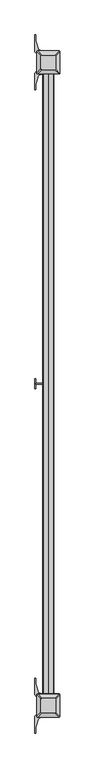
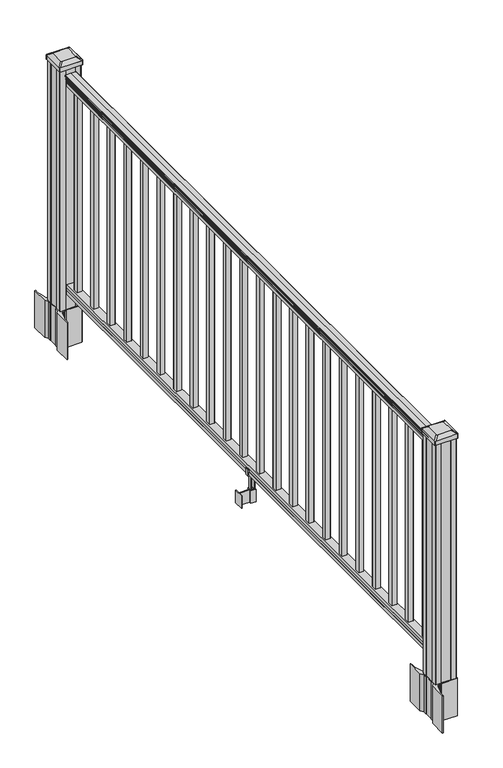
"""IFC4 building model written with IfcOpenShell, lengths in millimetres: railing geometry."""

from ifc_helpers import new_model, si_unit, point, frame, frame_2d, origin, origin_with_axes, place, context, project, spatial, polyline, circle_curve, trimmed, segment, composite_curve, outline, extrude, source, transform, mapped, element, save
from ifc_brep_helpers import plane_surface, extruded_surface, advanced_brep


def railing_49b67a87(model_context):
    return source(origin(), model_context, "Body", "SolidModel", [
        extrude(outline(composite_curve([segment(polyline([(938.4043297, 1026.4116941), (940.292412, 1026.4116941)]), True, "CONTINUOUS"), segment(trimmed(circle_curve(frame_2d((946.0506383, 1020.0969408)), 8.545951), [point((940.292412, 1026.4116941))], [point((941.8546695, 1027.5418804))], False, "CARTESIAN"), True, "CONTINUOUS"), segment(trimmed(circle_curve(frame_2d((945.4636577, 1020.5340038)), 7.882584), [point((941.8546695, 1027.5418804))], [point((949.0726458, 1027.5418804))], False, "CARTESIAN"), True, "CONTINUOUS"), segment(trimmed(circle_curve(frame_2d((951.3112527, 1031.0473279)), 4.1592695), [point((949.0726458, 1027.5418804))], [point((951.5060812, 1026.892624))], True, "CARTESIAN"), True, "CONTINUOUS"), segment(trimmed(circle_curve(frame_2d((951.2508864, 1032.3346345)), 5.4479907), [point((951.5060812, 1026.892624))], [point((955.8362083, 1029.392624))], True, "CARTESIAN"), True, "CONTINUOUS"), segment(trimmed(circle_curve(frame_2d((955.833395, 1031.101476)), 1.7088543), [point((955.8362083, 1029.392624))], [point((957.5157972, 1030.8019664))], True, "CARTESIAN"), True, "CONTINUOUS"), segment(trimmed(circle_curve(frame_2d((958.6205318, 1029.4845759)), 1.7192895), [point((957.5157972, 1030.8019664))], [point((958.6205318, 1031.2038654))], False, "CARTESIAN"), True, "CONTINUOUS"), segment(polyline([(958.6205318, 1031.2038654), (959.9608158, 1031.2038654)]), True, "CONTINUOUS"), segment(trimmed(circle_curve(frame_2d((959.9608158, 1029.6504181)), 1.5534472), [point((959.9608158, 1031.2038654))], [point((961.514263, 1029.6504181))], False, "CARTESIAN"), True, "CONTINUOUS"), segment(polyline([(961.514263, 1029.6504181), (961.514263, 1008.9788654), (961.514263, 988.3073126)]), True, "CONTINUOUS"), segment(trimmed(circle_curve(frame_2d((959.9608158, 988.3073126)), 1.5534472), [point((961.514263, 988.3073126))], [point((959.9608158, 986.7538654))], False, "CARTESIAN"), True, "CONTINUOUS"), segment(polyline([(959.9608158, 986.7538654), (958.6205318, 986.7538654)]), True, "CONTINUOUS"), segment(trimmed(circle_curve(frame_2d((958.6205318, 988.4731548)), 1.7192895), [point((958.6205318, 986.7538654))], [point((957.5157972, 987.1557643))], False, "CARTESIAN"), True, "CONTINUOUS"), segment(trimmed(circle_curve(frame_2d((955.833395, 986.8562547)), 1.7088543), [point((957.5157972, 987.1557643))], [point((955.8362083, 988.5651067))], True, "CARTESIAN"), True, "CONTINUOUS"), segment(trimmed(circle_curve(frame_2d((951.2508864, 985.6230963)), 5.4479907), [point((955.8362083, 988.5651067))], [point((951.5060812, 991.0651067))], True, "CARTESIAN"), True, "CONTINUOUS"), segment(trimmed(circle_curve(frame_2d((951.3112527, 986.9104028)), 4.1592695), [point((951.5060812, 991.0651067))], [point((949.0726458, 990.4158503))], True, "CARTESIAN"), True, "CONTINUOUS"), segment(trimmed(circle_curve(frame_2d((945.4636577, 997.4237269)), 7.882584), [point((949.0726458, 990.4158503))], [point((941.8546695, 990.4158503))], False, "CARTESIAN"), True, "CONTINUOUS"), segment(trimmed(circle_curve(frame_2d((946.0506383, 997.8607899)), 8.545951), [point((941.8546695, 990.4158503))], [point((940.292412, 991.5460366))], False, "CARTESIAN"), True, "CONTINUOUS"), segment(polyline([(940.292412, 991.5460366), (938.4043297, 991.5460366)]), True, "CONTINUOUS"), segment(trimmed(circle_curve(frame_2d((938.4043297, 992.832951)), 1.2869144), [point((938.4043297, 991.5460366))], [point((938.4043297, 994.1198654))], False, "CARTESIAN"), True, "CONTINUOUS"), segment(polyline([(938.4043297, 994.1198654), (927.9048283, 994.1198654), (926.8888283, 993.1038654), (914.4, 993.1038654), (914.4, 1024.8538654), (926.731013, 1024.8538654), (927.747013, 1023.8378654), (938.4043297, 1023.8378654)]), True, "CONTINUOUS"), segment(trimmed(circle_curve(frame_2d((938.4043297, 1025.1247797)), 1.2869144), [point((938.4043297, 1023.8378654))], [point((938.4043297, 1026.4116941))], False, "CARTESIAN"), True, "CONTINUOUS")], self_intersect=False)), frame((0.0, -6771.6427062, 0.0), z_axis=(0.0, 1.0, 0.0), x_axis=(0.0, 0.0, 1.0)), (0.0, 0.0, 1.0), 2438.4),
        extrude(outline(polyline([(76.0541976, 1024.8913523), (77.3546183, 1023.8753523), (87.7141717, 1023.8753523), (89.0624492, 1024.8913523), (101.5958781, 1024.8913523), (101.5958781, 993.1413523), (89.0458024, 993.1413523), (87.6975248, 994.1573523), (77.3858283, 994.1573523), (76.0375508, 993.1413523), (63.5, 993.1413523), (63.5, 1024.8913523), (76.0541976, 1024.8913523)])), frame((0.0, -6771.6427062, 0.0), z_axis=(0.0, 1.0, 0.0), x_axis=(0.0, 0.0, 1.0)), (0.0, 0.0, 1.0), 2438.4),
        extrude(outline(polyline([(1018.5038654, -4392.5517062), (999.4538654, -4392.5517062), (999.4538654, -4373.5017062), (1018.5038654, -4373.5017062), (1018.5038654, -4392.5517062)]), holes=[polyline([(1018.1069904, -4392.1548312), (1018.1069904, -4373.8985812), (999.8507404, -4373.8985812), (999.8507404, -4392.1548312), (1018.1069904, -4392.1548312)])]), frame((0.0, 0.0, 101.5958781), z_axis=(0.0, 0.0, 1.0), x_axis=(1.0, 0.0, 0.0)), (0.0, 0.0, 1.0), 812.8041219),
        extrude(outline(polyline([(1018.5038654, -4503.8037062), (999.4538654, -4503.8037062), (999.4538654, -4484.7537062), (1018.5038654, -4484.7537062), (1018.5038654, -4503.8037062)]), holes=[polyline([(1018.1069904, -4503.4068312), (1018.1069904, -4485.1505812), (999.8507404, -4485.1505812), (999.8507404, -4503.4068312), (1018.1069904, -4503.4068312)])]), frame((0.0, 0.0, 101.5958781), z_axis=(0.0, 0.0, 1.0), x_axis=(1.0, 0.0, 0.0)), (0.0, 0.0, 1.0), 812.8041219),
        extrude(outline(polyline([(1018.5038654, -4615.0557062), (999.4538654, -4615.0557062), (999.4538654, -4596.0057062), (1018.5038654, -4596.0057062), (1018.5038654, -4615.0557062)]), holes=[polyline([(1018.1069904, -4614.6588312), (1018.1069904, -4596.4025812), (999.8507404, -4596.4025812), (999.8507404, -4614.6588312), (1018.1069904, -4614.6588312)])]), frame((0.0, 0.0, 101.5958781), z_axis=(0.0, 0.0, 1.0), x_axis=(1.0, 0.0, 0.0)), (0.0, 0.0, 1.0), 812.8041219),
        extrude(outline(polyline([(1018.5038654, -4726.3077062), (999.4538654, -4726.3077062), (999.4538654, -4707.2577062), (1018.5038654, -4707.2577062), (1018.5038654, -4726.3077062)]), holes=[polyline([(1018.1069904, -4725.9108312), (1018.1069904, -4707.6545812), (999.8507404, -4707.6545812), (999.8507404, -4725.9108312), (1018.1069904, -4725.9108312)])]), frame((0.0, 0.0, 101.5958781), z_axis=(0.0, 0.0, 1.0), x_axis=(1.0, 0.0, 0.0)), (0.0, 0.0, 1.0), 812.8041219),
        extrude(outline(polyline([(1018.5038654, -4837.5597062), (999.4538654, -4837.5597062), (999.4538654, -4818.5097062), (1018.5038654, -4818.5097062), (1018.5038654, -4837.5597062)]), holes=[polyline([(1018.1069904, -4837.1628312), (1018.1069904, -4818.9065812), (999.8507404, -4818.9065812), (999.8507404, -4837.1628312), (1018.1069904, -4837.1628312)])]), frame((0.0, 0.0, 101.5958781), z_axis=(0.0, 0.0, 1.0), x_axis=(1.0, 0.0, 0.0)), (0.0, 0.0, 1.0), 812.8041219),
        extrude(outline(polyline([(1018.5038654, -4948.8117062), (999.4538654, -4948.8117062), (999.4538654, -4929.7617062), (1018.5038654, -4929.7617062), (1018.5038654, -4948.8117062)]), holes=[polyline([(1018.1069904, -4948.4148312), (1018.1069904, -4930.1585812), (999.8507404, -4930.1585812), (999.8507404, -4948.4148312), (1018.1069904, -4948.4148312)])]), frame((0.0, 0.0, 101.5958781), z_axis=(0.0, 0.0, 1.0), x_axis=(1.0, 0.0, 0.0)), (0.0, 0.0, 1.0), 812.8041219),
        extrude(outline(polyline([(1018.5038654, -5060.0637062), (999.4538654, -5060.0637062), (999.4538654, -5041.0137062), (1018.5038654, -5041.0137062), (1018.5038654, -5060.0637062)]), holes=[polyline([(1018.1069904, -5059.6668312), (1018.1069904, -5041.4105812), (999.8507404, -5041.4105812), (999.8507404, -5059.6668312), (1018.1069904, -5059.6668312)])]), frame((0.0, 0.0, 101.5958781), z_axis=(0.0, 0.0, 1.0), x_axis=(1.0, 0.0, 0.0)), (0.0, 0.0, 1.0), 812.8041219),
        extrude(outline(polyline([(1018.5038654, -5171.3157062), (999.4538654, -5171.3157062), (999.4538654, -5152.2657062), (1018.5038654, -5152.2657062), (1018.5038654, -5171.3157062)]), holes=[polyline([(1018.1069904, -5170.9188312), (1018.1069904, -5152.6625812), (999.8507404, -5152.6625812), (999.8507404, -5170.9188312), (1018.1069904, -5170.9188312)])]), frame((0.0, 0.0, 101.5958781), z_axis=(0.0, 0.0, 1.0), x_axis=(1.0, 0.0, 0.0)), (0.0, 0.0, 1.0), 812.8041219),
        extrude(outline(polyline([(1018.5038654, -5282.5677062), (999.4538654, -5282.5677062), (999.4538654, -5263.5177062), (1018.5038654, -5263.5177062), (1018.5038654, -5282.5677062)]), holes=[polyline([(1018.1069904, -5282.1708312), (1018.1069904, -5263.9145812), (999.8507404, -5263.9145812), (999.8507404, -5282.1708312), (1018.1069904, -5282.1708312)])]), frame((0.0, 0.0, 101.5958781), z_axis=(0.0, 0.0, 1.0), x_axis=(1.0, 0.0, 0.0)), (0.0, 0.0, 1.0), 812.8041219),
        extrude(outline(polyline([(1018.5038654, -5393.8197062), (999.4538654, -5393.8197062), (999.4538654, -5374.7697062), (1018.5038654, -5374.7697062), (1018.5038654, -5393.8197062)]), holes=[polyline([(1018.1069904, -5393.4228312), (1018.1069904, -5375.1665812), (999.8507404, -5375.1665812), (999.8507404, -5393.4228312), (1018.1069904, -5393.4228312)])]), frame((0.0, 0.0, 101.5958781), z_axis=(0.0, 0.0, 1.0), x_axis=(1.0, 0.0, 0.0)), (0.0, 0.0, 1.0), 812.8041219),
        extrude(outline(polyline([(1018.5038654, -5505.0717062), (999.4538654, -5505.0717062), (999.4538654, -5486.0217062), (1018.5038654, -5486.0217062), (1018.5038654, -5505.0717062)]), holes=[polyline([(1018.1069904, -5504.6748312), (1018.1069904, -5486.4185812), (999.8507404, -5486.4185812), (999.8507404, -5504.6748312), (1018.1069904, -5504.6748312)])]), frame((0.0, 0.0, 101.5958781), z_axis=(0.0, 0.0, 1.0), x_axis=(1.0, 0.0, 0.0)), (0.0, 0.0, 1.0), 812.8041219),
        extrude(outline(polyline([(998.3108656, -5552.4427062), (958.9408654, -5552.4427062), (958.9408654, -5549.9027062), (998.3108656, -5549.9027062), (998.3108656, -5552.4427062)])), frame((0.0, 0.0, -50.8), z_axis=(0.0, 0.0, 1.0), x_axis=(1.0, 0.0, 0.0)), (0.0, 0.0, 1.0), 50.8),
        extrude(outline(polyline([(958.9408654, -5570.2227062), (956.4008654, -5570.2227062), (956.4008654, -5532.1227062), (958.9408654, -5532.1227062), (958.9408654, -5570.2227062)])), frame((0.0, 0.0, -50.8), z_axis=(0.0, 0.0, 1.0), x_axis=(1.0, 0.0, 0.0)), (0.0, 0.0, 1.0), 50.8),
        extrude(outline(polyline([(1019.6468661, -5561.0787062), (998.3108656, -5561.0787062), (998.3108656, -5541.2667062), (1019.6468661, -5541.2667062), (1019.6468661, -5561.0787062)]), holes=[polyline([(1016.344866, -5558.5387062), (1016.344866, -5543.8067062), (1001.6128657, -5543.8067062), (1001.6128657, -5558.5387062), (1016.344866, -5558.5387062)])]), frame((0.0, 0.0, -50.8), z_axis=(0.0, 0.0, 1.0), x_axis=(1.0, 0.0, 0.0)), (0.0, 0.0, 1.0), 50.8),
        extrude(outline(polyline([(88.7203979, 990.8178665), (87.9583969, 990.0558655), (61.4680023, 990.0558655), (60.7060013, 990.8178665), (60.7060013, 1000.8508656), (59.9440012, 1001.6128657), (-3.5559988, 1001.6128657), (-3.5559988, 1016.344866), (59.9440012, 1016.344866), (60.7060013, 1017.1068661), (60.7060013, 1027.1398651), (61.4680023, 1027.9018662), (87.9583969, 1027.9018662), (88.7203979, 1027.1398651), (88.7203979, 1025.1078655), (87.7043953, 1024.0918658), (77.2686081, 1024.0918658), (76.2526073, 1025.1078655), (64.262001, 1025.1078655), (63.5000019, 1024.3458664), (63.5000019, 993.6118653), (64.262001, 992.8498661), (76.2526073, 992.8498661), (77.2686081, 993.8658659), (87.7043953, 993.8658659), (88.7203979, 992.8498661), (88.7203979, 990.8178665)]), holes=[polyline([(60.7060013, 1012.4078657), (59.9440012, 1013.1698658), (3.9370031, 1013.1698658), (3.1750031, 1012.4078657), (3.1750031, 1005.5498631), (3.9370003, 1004.7878659), (59.9440012, 1004.7878659), (60.7060013, 1005.5498659), (60.7060013, 1012.4078657)])]), frame((0.0, -5558.5387062, 0.0), z_axis=(0.0, 1.0, 0.0), x_axis=(0.0, 0.0, 1.0)), (0.0, 0.0, 1.0), 14.732),
        extrude(outline(polyline([(1018.5038654, -5616.3237062), (999.4538654, -5616.3237062), (999.4538654, -5597.2737062), (1018.5038654, -5597.2737062), (1018.5038654, -5616.3237062)]), holes=[polyline([(1018.1069904, -5615.9268312), (1018.1069904, -5597.6705812), (999.8507404, -5597.6705812), (999.8507404, -5615.9268312), (1018.1069904, -5615.9268312)])]), frame((0.0, 0.0, 101.5958781), z_axis=(0.0, 0.0, 1.0), x_axis=(1.0, 0.0, 0.0)), (0.0, 0.0, 1.0), 812.8041219),
        extrude(outline(polyline([(1018.5038654, -5727.5757062), (999.4538654, -5727.5757062), (999.4538654, -5708.5257062), (1018.5038654, -5708.5257062), (1018.5038654, -5727.5757062)]), holes=[polyline([(1018.1069904, -5727.1788312), (1018.1069904, -5708.9225812), (999.8507404, -5708.9225812), (999.8507404, -5727.1788312), (1018.1069904, -5727.1788312)])]), frame((0.0, 0.0, 101.5958781), z_axis=(0.0, 0.0, 1.0), x_axis=(1.0, 0.0, 0.0)), (0.0, 0.0, 1.0), 812.8041219),
        extrude(outline(polyline([(1018.5038654, -5838.8277062), (999.4538654, -5838.8277062), (999.4538654, -5819.7777062), (1018.5038654, -5819.7777062), (1018.5038654, -5838.8277062)]), holes=[polyline([(1018.1069904, -5838.4308312), (1018.1069904, -5820.1745812), (999.8507404, -5820.1745812), (999.8507404, -5838.4308312), (1018.1069904, -5838.4308312)])]), frame((0.0, 0.0, 101.5958781), z_axis=(0.0, 0.0, 1.0), x_axis=(1.0, 0.0, 0.0)), (0.0, 0.0, 1.0), 812.8041219),
        extrude(outline(polyline([(1018.5038654, -5950.0797062), (999.4538654, -5950.0797062), (999.4538654, -5931.0297062), (1018.5038654, -5931.0297062), (1018.5038654, -5950.0797062)]), holes=[polyline([(1018.1069904, -5949.6828312), (1018.1069904, -5931.4265812), (999.8507404, -5931.4265812), (999.8507404, -5949.6828312), (1018.1069904, -5949.6828312)])]), frame((0.0, 0.0, 101.5958781), z_axis=(0.0, 0.0, 1.0), x_axis=(1.0, 0.0, 0.0)), (0.0, 0.0, 1.0), 812.8041219),
        extrude(outline(polyline([(1018.5038654, -6061.3317062), (999.4538654, -6061.3317062), (999.4538654, -6042.2817062), (1018.5038654, -6042.2817062), (1018.5038654, -6061.3317062)]), holes=[polyline([(1018.1069904, -6060.9348312), (1018.1069904, -6042.6785812), (999.8507404, -6042.6785812), (999.8507404, -6060.9348312), (1018.1069904, -6060.9348312)])]), frame((0.0, 0.0, 101.5958781), z_axis=(0.0, 0.0, 1.0), x_axis=(1.0, 0.0, 0.0)), (0.0, 0.0, 1.0), 812.8041219),
        extrude(outline(polyline([(1018.5038654, -6172.5837062), (999.4538654, -6172.5837062), (999.4538654, -6153.5337062), (1018.5038654, -6153.5337062), (1018.5038654, -6172.5837062)]), holes=[polyline([(1018.1069904, -6172.1868312), (1018.1069904, -6153.9305812), (999.8507404, -6153.9305812), (999.8507404, -6172.1868312), (1018.1069904, -6172.1868312)])]), frame((0.0, 0.0, 101.5958781), z_axis=(0.0, 0.0, 1.0), x_axis=(1.0, 0.0, 0.0)), (0.0, 0.0, 1.0), 812.8041219),
        extrude(outline(polyline([(1018.5038654, -6283.8357062), (999.4538654, -6283.8357062), (999.4538654, -6264.7857062), (1018.5038654, -6264.7857062), (1018.5038654, -6283.8357062)]), holes=[polyline([(1018.1069904, -6283.4388312), (1018.1069904, -6265.1825812), (999.8507404, -6265.1825812), (999.8507404, -6283.4388312), (1018.1069904, -6283.4388312)])]), frame((0.0, 0.0, 101.5958781), z_axis=(0.0, 0.0, 1.0), x_axis=(1.0, 0.0, 0.0)), (0.0, 0.0, 1.0), 812.8041219),
        extrude(outline(polyline([(1018.5038654, -6395.0877062), (999.4538654, -6395.0877062), (999.4538654, -6376.0377062), (1018.5038654, -6376.0377062), (1018.5038654, -6395.0877062)]), holes=[polyline([(1018.1069904, -6394.6908312), (1018.1069904, -6376.4345812), (999.8507404, -6376.4345812), (999.8507404, -6394.6908312), (1018.1069904, -6394.6908312)])]), frame((0.0, 0.0, 101.5958781), z_axis=(0.0, 0.0, 1.0), x_axis=(1.0, 0.0, 0.0)), (0.0, 0.0, 1.0), 812.8041219),
        extrude(outline(polyline([(1018.5038654, -6506.3397062), (999.4538654, -6506.3397062), (999.4538654, -6487.2897062), (1018.5038654, -6487.2897062), (1018.5038654, -6506.3397062)]), holes=[polyline([(1018.1069904, -6505.9428312), (1018.1069904, -6487.6865812), (999.8507404, -6487.6865812), (999.8507404, -6505.9428312), (1018.1069904, -6505.9428312)])]), frame((0.0, 0.0, 101.5958781), z_axis=(0.0, 0.0, 1.0), x_axis=(1.0, 0.0, 0.0)), (0.0, 0.0, 1.0), 812.8041219),
        extrude(outline(polyline([(1018.5038654, -6617.5917062), (999.4538654, -6617.5917062), (999.4538654, -6598.5417062), (1018.5038654, -6598.5417062), (1018.5038654, -6617.5917062)]), holes=[polyline([(1018.1069904, -6617.1948312), (1018.1069904, -6598.9385812), (999.8507404, -6598.9385812), (999.8507404, -6617.1948312), (1018.1069904, -6617.1948312)])]), frame((0.0, 0.0, 101.5958781), z_axis=(0.0, 0.0, 1.0), x_axis=(1.0, 0.0, 0.0)), (0.0, 0.0, 1.0), 812.8041219),
        extrude(outline(polyline([(1018.5038654, -6728.8437062), (999.4538654, -6728.8437062), (999.4538654, -6709.7937062), (1018.5038654, -6709.7937062), (1018.5038654, -6728.8437062)]), holes=[polyline([(1018.1069904, -6728.4468312), (1018.1069904, -6710.1905812), (999.8507404, -6710.1905812), (999.8507404, -6728.4468312), (1018.1069904, -6728.4468312)])]), frame((0.0, 0.0, 101.5958781), z_axis=(0.0, 0.0, 1.0), x_axis=(1.0, 0.0, 0.0)), (0.0, 0.0, 1.0), 812.8041219),
        extrude(outline(composite_curve([segment(polyline([(1051.7143654, -4309.226801), (1053.3018654, -4309.988801), (1053.3018654, -4332.7907291), (1049.9288883, -4336.1637062), (988.4692175, -4336.1637062), (988.4692175, -4337.0844562), (983.1516736, -4337.0844562), (983.1516736, -4338.5387108), (978.0671439, -4338.5387108), (978.0671439, -4339.8227347), (976.3998717, -4339.8227347)]), True, "CONTINUOUS"), segment(trimmed(circle_curve(frame_2d((976.3998717, -4346.8821945)), 7.0594599), [point((976.3998717, -4339.8227347))], [point((969.6326088, -4344.8721879))], True, "CARTESIAN"), True, "CONTINUOUS"), segment(polyline([(969.6326088, -4344.8721879), (961.7584145, -4371.3829169)]), True, "CONTINUOUS"), segment(trimmed(circle_curve(frame_2d((1016.5429279, -4387.6549666)), 57.15), [point((961.7584145, -4371.3829169))], [point((959.3929279, -4387.6549666))], True, "CARTESIAN"), True, "CONTINUOUS"), segment(polyline([(959.3929279, -4387.6549666), (959.3929279, -4399.6637062), (956.3929279, -4399.6637062), (956.3929279, -4334.5762062), (964.6558654, -4323.2379148), (964.6558654, -4309.988801), (966.2433654, -4309.226801), (966.2433654, -4274.4546113), (964.6558654, -4273.6926113), (964.6558654, -4260.4434975), (956.3929279, -4249.1052062), (956.3929279, -4184.0177062), (959.3929279, -4184.0177062), (959.3929279, -4196.0264457)]), True, "CONTINUOUS"), segment(trimmed(circle_curve(frame_2d((1016.5429279, -4196.0264457)), 57.15), [point((959.3929279, -4196.0264457))], [point((961.7584145, -4212.2984954))], True, "CARTESIAN"), True, "CONTINUOUS"), segment(polyline([(961.7584145, -4212.2984954), (969.6326088, -4238.8092245)]), True, "CONTINUOUS"), segment(trimmed(circle_curve(frame_2d((976.3998717, -4236.7992178)), 7.0594599), [point((969.6326088, -4238.8092245))], [point((976.3998717, -4243.8586776))], True, "CARTESIAN"), True, "CONTINUOUS"), segment(polyline([(976.3998717, -4243.8586776), (978.0671439, -4243.8586776), (978.0671439, -4245.1427015), (983.1516736, -4245.1427015), (983.1516736, -4246.5969562), (988.4692175, -4246.5969562), (988.4692175, -4247.5177062), (1049.9288883, -4247.5177062), (1053.3018654, -4250.8906832), (1053.3018654, -4273.6926113), (1051.7143654, -4274.4546113), (1051.7143654, -4309.226801)]), True, "CONTINUOUS")], self_intersect=False), holes=[polyline([(967.7038654, -4252.1532062), (967.7038654, -4331.5282062), (969.2913654, -4333.1157062), (1006.215648, -4333.1157062), (1048.6663654, -4333.1157062), (1050.2538654, -4331.5282062), (1050.2538654, -4252.1532062), (1048.6663654, -4250.5657062), (1006.215648, -4250.5657062), (969.2913654, -4250.5657062), (967.7038654, -4252.1532062)])]), frame((0.0, 0.0, -152.4), z_axis=(0.0, 0.0, 1.0), x_axis=(1.0, 0.0, 0.0)), (0.0, 0.0, 1.0), 152.4),
        advanced_brep(
        [(983.1819904, -4320.8125812, 1012.825), (1034.7757404, -4320.8125812, 1012.825), (1037.9507404, -4317.6375812, 1012.825), (1037.9507404, -4266.0438312, 1012.825), (1034.7757404, -4262.8688312, 1012.825), (983.1819904, -4262.8688312, 1012.825), (980.0069904, -4266.0438312, 1012.825), (980.0069904, -4317.6375812, 1012.825), (966.9101154, -4337.0844562, 1001.522), (963.7351154, -4333.9094562, 1001.522), (963.7351154, -4249.7719562, 1001.522), (966.9101154, -4246.5969562, 1001.522), (1051.0476154, -4246.5969562, 1001.522), (1054.2226154, -4249.7719562, 1001.522), (1054.2226154, -4333.9094562, 1001.522), (1051.0476154, -4337.0844562, 1001.522)],
        [
            (0, 1),
            (1, 2, circle_curve(frame((1034.7757404, -4317.6375812, 1012.825), z_axis=(0.0, 0.0, 1.0), x_axis=(0.0, 1.0, 0.0)), 3.175)),
            (2, 3),
            (3, 4, circle_curve(frame((1034.7757404, -4266.0438312, 1012.825), z_axis=(0.0, 0.0, 1.0), x_axis=(0.0, 1.0, 0.0)), 3.175)),
            (4, 5),
            (5, 6, circle_curve(frame((983.1819904, -4266.0438312, 1012.825), z_axis=(0.0, 0.0, 1.0), x_axis=(0.0, 1.0, 0.0)), 3.175)),
            (6, 7),
            (7, 0, circle_curve(frame((983.1819904, -4317.6375812, 1012.825), z_axis=(0.0, 0.0, 1.0), x_axis=(0.0, 1.0, 0.0)), 3.175)),
            (8, 9, circle_curve(frame((966.9101154, -4333.9094562, 1001.522), z_axis=(0.0, 0.0, -1.0), x_axis=(0.0, 1.0, 0.0)), 3.175)),
            (9, 10),
            (10, 11, circle_curve(frame((966.9101154, -4249.7719562, 1001.522), z_axis=(0.0, 0.0, -1.0), x_axis=(0.0, 1.0, 0.0)), 3.175)),
            (11, 12),
            (12, 13, circle_curve(frame((1051.0476154, -4249.7719562, 1001.522), z_axis=(0.0, 0.0, -1.0), x_axis=(0.0, 1.0, 0.0)), 3.175)),
            (13, 14),
            (14, 15, circle_curve(frame((1051.0476154, -4333.9094562, 1001.522), z_axis=(0.0, 0.0, -1.0), x_axis=(0.0, 1.0, 0.0)), 3.175)),
            (15, 8),
            (8, 0),
            (7, 9),
            (6, 10),
            (5, 11),
            (4, 12),
            (3, 13),
            (2, 14),
            (1, 15),
        ],
        [
            plane_surface(frame((1008.9788654, -4291.8407062, 1012.825), z_axis=(0.0, 0.0, 1.0), x_axis=(-1.0, 0.0, 0.0))),
            plane_surface(frame((1008.9788654, -4291.8407062, 1001.522), z_axis=(0.0, 0.0, -1.0), x_axis=(-1.0, 0.0, 0.0))),
            extruded_surface(trimmed(circle_curve(frame((983.1819904, -4317.6375812, 1012.825), z_axis=(0.0, 0.0, -1.0), x_axis=(0.0, 1.0, 0.0)), 3.175), [point((983.1819904, -4320.8125812, 1012.825))], [point((980.0069904, -4317.6375812, 1012.825))], True, "CARTESIAN"), (-16.271875000000023, -16.271875000000364, -11.302999999999997), 25.637972638866405),
            plane_surface(frame((963.7351154, -4291.8407062, 1001.522), z_axis=(-0.5705009161540779, 0.0, 0.8212969649690408), x_axis=(0.0, 1.0, 0.0))),
            extruded_surface(trimmed(circle_curve(frame((983.1819904, -4266.0438312, 1012.825), z_axis=(0.0, 0.0, -1.0), x_axis=(0.0, 1.0, 0.0)), 3.175), [point((980.0069904, -4266.0438312, 1012.825))], [point((983.1819904, -4262.8688312, 1012.825))], True, "CARTESIAN"), (-16.271875000000023, 16.271874999999454, -11.302999999999997), 25.63797263886583),
            plane_surface(frame((1008.9788654, -4246.5969562, 1001.522), z_axis=(0.0, 0.5705009161540291, 0.8212969649690747), x_axis=(1.0, 0.0, 0.0))),
            extruded_surface(trimmed(circle_curve(frame((1034.7757404, -4266.0438312, 1012.825), z_axis=(0.0, 0.0, -1.0), x_axis=(0.0, 1.0, 0.0)), 3.175), [point((1034.7757404, -4262.8688312, 1012.825))], [point((1037.9507404, -4266.0438312, 1012.825))], True, "CARTESIAN"), (16.271875000000136, 16.271874999999454, -11.302999999999997), 25.637972638865904),
            plane_surface(frame((1054.2226154, -4291.8407062, 1001.522), z_axis=(0.5705009161540141, 0.0, 0.8212969649690851), x_axis=(0.0, -1.0, 0.0))),
            extruded_surface(trimmed(circle_curve(frame((1034.7757404, -4317.6375812, 1012.825), z_axis=(0.0, 0.0, -1.0), x_axis=(0.0, 1.0, 0.0)), 3.175), [point((1037.9507404, -4317.6375812, 1012.825))], [point((1034.7757404, -4320.8125812, 1012.825))], True, "CARTESIAN"), (16.271875000000136, -16.271875000000364, -11.302999999999997), 25.63797263886648),
            plane_surface(frame((1008.9788654, -4337.0844562, 1001.522), z_axis=(0.0, -0.570500916154034, 0.8212969649690713), x_axis=(-1.0, 0.0, 0.0))),
        ],
        [
            (0, [[1, 2, 3, 4, 5, 6, 7, 8]]),
            (1, [[9, 10, 11, 12, 13, 14, 15, 16]]),
            (2, [[17, -8, 18, -9]]),
            (3, [[-18, -7, 19, -10]]),
            (4, [[-19, -6, 20, -11]]),
            (5, [[-20, -5, 21, -12]]),
            (6, [[-21, -4, 22, -13]]),
            (7, [[-22, -3, 23, -14]]),
            (8, [[-23, -2, 24, -15]]),
            (9, [[-24, -1, -17, -16]]),
        ],
    ),
        extrude(outline(composite_curve([segment(trimmed(circle_curve(frame_2d((966.9101154, -4333.9094562)), 3.175), [point((966.9101154, -4337.0844562))], [point((963.7351154, -4333.9094562))], False, "CARTESIAN"), True, "CONTINUOUS"), segment(polyline([(963.7351154, -4333.9094562), (963.7351154, -4249.7719562)]), True, "CONTINUOUS"), segment(trimmed(circle_curve(frame_2d((966.9101154, -4249.7719562)), 3.175), [point((963.7351154, -4249.7719562))], [point((966.9101154, -4246.5969562))], False, "CARTESIAN"), True, "CONTINUOUS"), segment(polyline([(966.9101154, -4246.5969562), (1051.0476154, -4246.5969562)]), True, "CONTINUOUS"), segment(trimmed(circle_curve(frame_2d((1051.0476154, -4249.7719562)), 3.175), [point((1051.0476154, -4246.5969562))], [point((1054.2226154, -4249.7719562))], False, "CARTESIAN"), True, "CONTINUOUS"), segment(polyline([(1054.2226154, -4249.7719562), (1054.2226154, -4333.9094562)]), True, "CONTINUOUS"), segment(trimmed(circle_curve(frame_2d((1051.0476154, -4333.9094562)), 3.175), [point((1054.2226154, -4333.9094562))], [point((1051.0476154, -4337.0844562))], False, "CARTESIAN"), True, "CONTINUOUS"), segment(polyline([(1051.0476154, -4337.0844562), (966.9101154, -4337.0844562)]), True, "CONTINUOUS")], self_intersect=False)), frame((0.0, 0.0, 984.25), z_axis=(0.0, 0.0, 1.0), x_axis=(1.0, 0.0, 0.0)), (0.0, 0.0, 1.0), 17.272),
        extrude(outline(polyline([(969.2913654, -4333.1157062), (967.7038654, -4331.5282062), (967.7038654, -4311.9067062), (969.2913654, -4311.1447062), (969.2913654, -4272.5367062), (967.7038654, -4271.7747062), (967.7038654, -4252.1532062), (969.2913654, -4250.5657062), (988.9128654, -4250.5657062), (989.6748654, -4252.1532062), (1028.2828654, -4252.1532062), (1029.0448654, -4250.5657062), (1048.6663654, -4250.5657062), (1050.2538654, -4252.1532062), (1050.2538654, -4271.7747062), (1048.6663654, -4272.5367062), (1048.6663654, -4311.1447062), (1050.2538654, -4311.9067062), (1050.2538654, -4331.5282062), (1048.6663654, -4333.1157062), (1029.0448654, -4333.1157062), (1028.2828654, -4331.5282062), (989.6748654, -4331.5282062), (988.9128654, -4333.1157062), (969.2913654, -4333.1157062)])), origin_with_axes(), (0.0, 0.0, 1.0), 984.25),
        extrude(outline(composite_curve([segment(polyline([(1051.7143654, -6830.430801), (1053.3018654, -6831.192801), (1053.3018654, -6853.9947291), (1049.9288883, -6857.3677062), (988.4692175, -6857.3677062), (988.4692175, -6858.2884562), (983.1516736, -6858.2884562), (983.1516736, -6859.7427108), (978.0671439, -6859.7427108), (978.0671439, -6861.0267347), (976.3998717, -6861.0267347)]), True, "CONTINUOUS"), segment(trimmed(circle_curve(frame_2d((976.3998717, -6868.0861945)), 7.0594599), [point((976.3998717, -6861.0267347))], [point((969.6326088, -6866.0761879))], True, "CARTESIAN"), True, "CONTINUOUS"), segment(polyline([(969.6326088, -6866.0761879), (961.7584145, -6892.5869169)]), True, "CONTINUOUS"), segment(trimmed(circle_curve(frame_2d((1016.5429279, -6908.8589666)), 57.15), [point((961.7584145, -6892.5869169))], [point((959.3929279, -6908.8589666))], True, "CARTESIAN"), True, "CONTINUOUS"), segment(polyline([(959.3929279, -6908.8589666), (959.3929279, -6920.8677062), (956.3929279, -6920.8677062), (956.3929279, -6855.7802062), (964.6558654, -6844.4419148), (964.6558654, -6831.192801), (966.2433654, -6830.430801), (966.2433654, -6795.6586113), (964.6558654, -6794.8966113), (964.6558654, -6781.6474975), (956.3929279, -6770.3092062), (956.3929279, -6705.2217062), (959.3929279, -6705.2217062), (959.3929279, -6717.2304457)]), True, "CONTINUOUS"), segment(trimmed(circle_curve(frame_2d((1016.5429279, -6717.2304457)), 57.15), [point((959.3929279, -6717.2304457))], [point((961.7584145, -6733.5024954))], True, "CARTESIAN"), True, "CONTINUOUS"), segment(polyline([(961.7584145, -6733.5024954), (969.6326088, -6760.0132245)]), True, "CONTINUOUS"), segment(trimmed(circle_curve(frame_2d((976.3998717, -6758.0032178)), 7.0594599), [point((969.6326088, -6760.0132245))], [point((976.3998717, -6765.0626776))], True, "CARTESIAN"), True, "CONTINUOUS"), segment(polyline([(976.3998717, -6765.0626776), (978.0671439, -6765.0626776), (978.0671439, -6766.3467015), (983.1516736, -6766.3467015), (983.1516736, -6767.8009562), (988.4692175, -6767.8009562), (988.4692175, -6768.7217062), (1049.9288883, -6768.7217062), (1053.3018654, -6772.0946832), (1053.3018654, -6794.8966113), (1051.7143654, -6795.6586113), (1051.7143654, -6830.430801)]), True, "CONTINUOUS")], self_intersect=False), holes=[polyline([(967.7038654, -6773.3572062), (967.7038654, -6852.7322062), (969.2913654, -6854.3197062), (1006.215648, -6854.3197062), (1048.6663654, -6854.3197062), (1050.2538654, -6852.7322062), (1050.2538654, -6773.3572062), (1048.6663654, -6771.7697062), (1006.215648, -6771.7697062), (969.2913654, -6771.7697062), (967.7038654, -6773.3572062)])]), frame((0.0, 0.0, -152.4), z_axis=(0.0, 0.0, 1.0), x_axis=(1.0, 0.0, 0.0)), (0.0, 0.0, 1.0), 152.4),
        advanced_brep(
        [(983.1819904, -6842.0165812, 1012.825), (1034.7757404, -6842.0165812, 1012.825), (1037.9507404, -6838.8415812, 1012.825), (1037.9507404, -6787.2478312, 1012.825), (1034.7757404, -6784.0728312, 1012.825), (983.1819904, -6784.0728312, 1012.825), (980.0069904, -6787.2478312, 1012.825), (980.0069904, -6838.8415812, 1012.825), (966.9101154, -6858.2884562, 1001.522), (963.7351154, -6855.1134562, 1001.522), (963.7351154, -6770.9759562, 1001.522), (966.9101154, -6767.8009562, 1001.522), (1051.0476154, -6767.8009562, 1001.522), (1054.2226154, -6770.9759562, 1001.522), (1054.2226154, -6855.1134562, 1001.522), (1051.0476154, -6858.2884562, 1001.522)],
        [
            (0, 1),
            (1, 2, circle_curve(frame((1034.7757404, -6838.8415812, 1012.825), z_axis=(0.0, 0.0, 1.0), x_axis=(0.0, 1.0, 0.0)), 3.175)),
            (2, 3),
            (3, 4, circle_curve(frame((1034.7757404, -6787.2478312, 1012.825), z_axis=(0.0, 0.0, 1.0), x_axis=(0.0, 1.0, 0.0)), 3.175)),
            (4, 5),
            (5, 6, circle_curve(frame((983.1819904, -6787.2478312, 1012.825), z_axis=(0.0, 0.0, 1.0), x_axis=(0.0, 1.0, 0.0)), 3.175)),
            (6, 7),
            (7, 0, circle_curve(frame((983.1819904, -6838.8415812, 1012.825), z_axis=(0.0, 0.0, 1.0), x_axis=(0.0, 1.0, 0.0)), 3.175)),
            (8, 9, circle_curve(frame((966.9101154, -6855.1134562, 1001.522), z_axis=(0.0, 0.0, -1.0), x_axis=(0.0, 1.0, 0.0)), 3.175)),
            (9, 10),
            (10, 11, circle_curve(frame((966.9101154, -6770.9759562, 1001.522), z_axis=(0.0, 0.0, -1.0), x_axis=(0.0, 1.0, 0.0)), 3.175)),
            (11, 12),
            (12, 13, circle_curve(frame((1051.0476154, -6770.9759562, 1001.522), z_axis=(0.0, 0.0, -1.0), x_axis=(0.0, 1.0, 0.0)), 3.175)),
            (13, 14),
            (14, 15, circle_curve(frame((1051.0476154, -6855.1134562, 1001.522), z_axis=(0.0, 0.0, -1.0), x_axis=(0.0, 1.0, 0.0)), 3.175)),
            (15, 8),
            (8, 0),
            (7, 9),
            (6, 10),
            (5, 11),
            (4, 12),
            (3, 13),
            (2, 14),
            (1, 15),
        ],
        [
            plane_surface(frame((1008.9788654, -6813.0447062, 1012.825), z_axis=(0.0, 0.0, 1.0), x_axis=(-1.0, 0.0, 0.0))),
            plane_surface(frame((1008.9788654, -6813.0447062, 1001.522), z_axis=(0.0, 0.0, -1.0), x_axis=(-1.0, 0.0, 0.0))),
            extruded_surface(trimmed(circle_curve(frame((983.1819904, -6838.8415812, 1012.825), z_axis=(0.0, 0.0, -1.0), x_axis=(0.0, 1.0, 0.0)), 3.175), [point((983.1819904, -6842.0165812, 1012.825))], [point((980.0069904, -6838.8415812, 1012.825))], True, "CARTESIAN"), (-16.271875000000023, -16.271874999999454, -11.302999999999997), 25.63797263886583),
            plane_surface(frame((963.7351154, -6813.0447062, 1001.522), z_axis=(-0.5705009161540779, 0.0, 0.8212969649690408), x_axis=(0.0, 1.0, 0.0))),
            extruded_surface(trimmed(circle_curve(frame((983.1819904, -6787.2478312, 1012.825), z_axis=(0.0, 0.0, -1.0), x_axis=(0.0, 1.0, 0.0)), 3.175), [point((980.0069904, -6787.2478312, 1012.825))], [point((983.1819904, -6784.0728312, 1012.825))], True, "CARTESIAN"), (-16.271875000000023, 16.271875000000364, -11.302999999999997), 25.637972638866405),
            plane_surface(frame((1008.9788654, -6767.8009562, 1001.522), z_axis=(0.0, 0.5705009161540291, 0.8212969649690747), x_axis=(1.0, 0.0, 0.0))),
            extruded_surface(trimmed(circle_curve(frame((1034.7757404, -6787.2478312, 1012.825), z_axis=(0.0, 0.0, -1.0), x_axis=(0.0, 1.0, 0.0)), 3.175), [point((1034.7757404, -6784.0728312, 1012.825))], [point((1037.9507404, -6787.2478312, 1012.825))], True, "CARTESIAN"), (16.271875000000136, 16.271875000000364, -11.302999999999997), 25.63797263886648),
            plane_surface(frame((1054.2226154, -6813.0447062, 1001.522), z_axis=(0.5705009161540141, 0.0, 0.8212969649690851), x_axis=(0.0, -1.0, 0.0))),
            extruded_surface(trimmed(circle_curve(frame((1034.7757404, -6838.8415812, 1012.825), z_axis=(0.0, 0.0, -1.0), x_axis=(0.0, 1.0, 0.0)), 3.175), [point((1037.9507404, -6838.8415812, 1012.825))], [point((1034.7757404, -6842.0165812, 1012.825))], True, "CARTESIAN"), (16.271875000000136, -16.271874999999454, -11.302999999999997), 25.637972638865904),
            plane_surface(frame((1008.9788654, -6858.2884562, 1001.522), z_axis=(0.0, -0.570500916154034, 0.8212969649690713), x_axis=(-1.0, 0.0, 0.0))),
        ],
        [
            (0, [[1, 2, 3, 4, 5, 6, 7, 8]]),
            (1, [[9, 10, 11, 12, 13, 14, 15, 16]]),
            (2, [[17, -8, 18, -9]]),
            (3, [[-18, -7, 19, -10]]),
            (4, [[-19, -6, 20, -11]]),
            (5, [[-20, -5, 21, -12]]),
            (6, [[-21, -4, 22, -13]]),
            (7, [[-22, -3, 23, -14]]),
            (8, [[-23, -2, 24, -15]]),
            (9, [[-24, -1, -17, -16]]),
        ],
    ),
        extrude(outline(composite_curve([segment(trimmed(circle_curve(frame_2d((966.9101154, -6855.1134562)), 3.175), [point((966.9101154, -6858.2884562))], [point((963.7351154, -6855.1134562))], False, "CARTESIAN"), True, "CONTINUOUS"), segment(polyline([(963.7351154, -6855.1134562), (963.7351154, -6770.9759562)]), True, "CONTINUOUS"), segment(trimmed(circle_curve(frame_2d((966.9101154, -6770.9759562)), 3.175), [point((963.7351154, -6770.9759562))], [point((966.9101154, -6767.8009562))], False, "CARTESIAN"), True, "CONTINUOUS"), segment(polyline([(966.9101154, -6767.8009562), (1051.0476154, -6767.8009562)]), True, "CONTINUOUS"), segment(trimmed(circle_curve(frame_2d((1051.0476154, -6770.9759562)), 3.175), [point((1051.0476154, -6767.8009562))], [point((1054.2226154, -6770.9759562))], False, "CARTESIAN"), True, "CONTINUOUS"), segment(polyline([(1054.2226154, -6770.9759562), (1054.2226154, -6855.1134562)]), True, "CONTINUOUS"), segment(trimmed(circle_curve(frame_2d((1051.0476154, -6855.1134562)), 3.175), [point((1054.2226154, -6855.1134562))], [point((1051.0476154, -6858.2884562))], False, "CARTESIAN"), True, "CONTINUOUS"), segment(polyline([(1051.0476154, -6858.2884562), (966.9101154, -6858.2884562)]), True, "CONTINUOUS")], self_intersect=False)), frame((0.0, 0.0, 984.25), z_axis=(0.0, 0.0, 1.0), x_axis=(1.0, 0.0, 0.0)), (0.0, 0.0, 1.0), 17.272),
        extrude(outline(polyline([(969.2913654, -6854.3197062), (967.7038654, -6852.7322062), (967.7038654, -6833.1107062), (969.2913654, -6832.3487062), (969.2913654, -6793.7407062), (967.7038654, -6792.9787062), (967.7038654, -6773.3572062), (969.2913654, -6771.7697062), (988.9128654, -6771.7697062), (989.6748654, -6773.3572062), (1028.2828654, -6773.3572062), (1029.0448654, -6771.7697062), (1048.6663654, -6771.7697062), (1050.2538654, -6773.3572062), (1050.2538654, -6792.9787062), (1048.6663654, -6793.7407062), (1048.6663654, -6832.3487062), (1050.2538654, -6833.1107062), (1050.2538654, -6852.7322062), (1048.6663654, -6854.3197062), (1029.0448654, -6854.3197062), (1028.2828654, -6852.7322062), (989.6748654, -6852.7322062), (988.9128654, -6854.3197062), (969.2913654, -6854.3197062)])), origin_with_axes(), (0.0, 0.0, 1.0), 984.25),
    ])


if __name__ == "__main__":
    model = new_model("IFC4")
    model_context = context("Model", 3, world=origin())
    ifc_project = project(units=[si_unit("LENGTHUNIT", "METRE", prefix="MILLI")], contexts=[model_context])
    site = spatial("IfcSite", under=ifc_project)
    building = spatial("IfcBuilding", under=site)
    placement = place(None, origin())
    railing_shape = railing_49b67a87(model_context)
    element("IfcRailing", 1, at=placement, inside=building, context=model_context, shape_type="MappedRepresentation", body=[
        mapped(railing_shape, transform((0.0, 0.0, 0.0), x_axis=(1.0, 0.0, 0.0), y_axis=(0.0, 1.0, 0.0), z_axis=(0.0, 0.0, 1.0))),
    ])
    save(model, "model.ifc")
